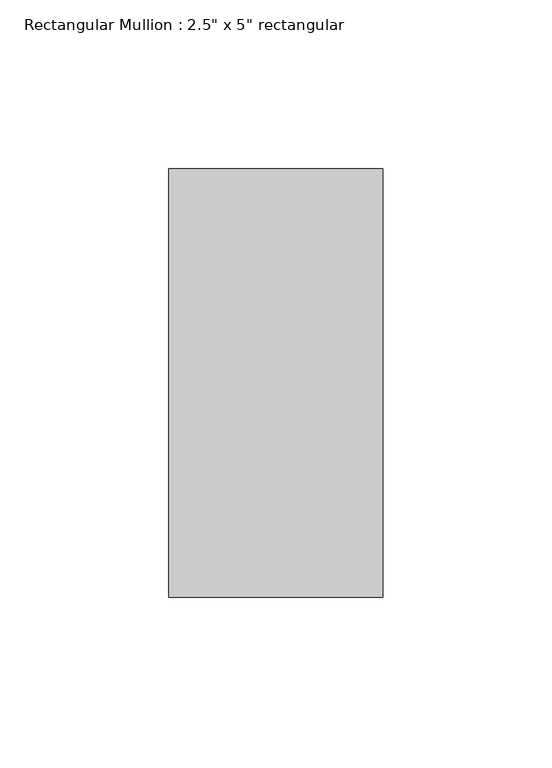
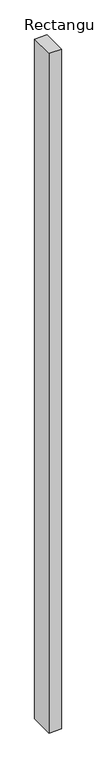
"""IFC4 building model written with IfcOpenShell, lengths in millimetres: member geometry."""

from ifc_helpers import new_model, si_unit, frame, origin, place, context, project, spatial, polyline, outline, extrude, source, transform, mapped, element, save


def member_cf7a89be(model_context):
    return source(origin(), model_context, "Body", "SweptSolid", [
        extrude(outline(polyline([(0.0, 63.5), (0.0, -63.5), (-63.5, -63.5), (-63.5, 63.5), (0.0, 63.5)])), frame((0.0, 0.0, -3690.0076344), z_axis=(0.0, 0.0, 1.0), x_axis=(1.0, 0.0, 0.0)), (0.0, 0.0, 1.0), 3690.0076344),
    ])


if __name__ == "__main__":
    model = new_model("IFC4")
    model_context = context("Model", 3, world=origin())
    ifc_project = project(units=[si_unit("LENGTHUNIT", "METRE", prefix="MILLI")], contexts=[model_context])
    site = spatial("IfcSite", under=ifc_project)
    building = spatial("IfcBuilding", under=site)
    placement = place(None, origin())
    member_shape = member_cf7a89be(model_context)
    element("IfcMember", 1, ObjectType="Rectangular Mullion : 2.5\" x 5\" rectangular", at=placement, inside=building, context=model_context, shape_type="MappedRepresentation", body=[
        mapped(member_shape, transform((0.0, 0.0, 0.0), x_axis=(1.0, 0.0, 0.0), y_axis=(0.0, 1.0, 0.0), z_axis=(0.0, 0.0, 1.0))),
    ])
    save(model, "model.ifc")
